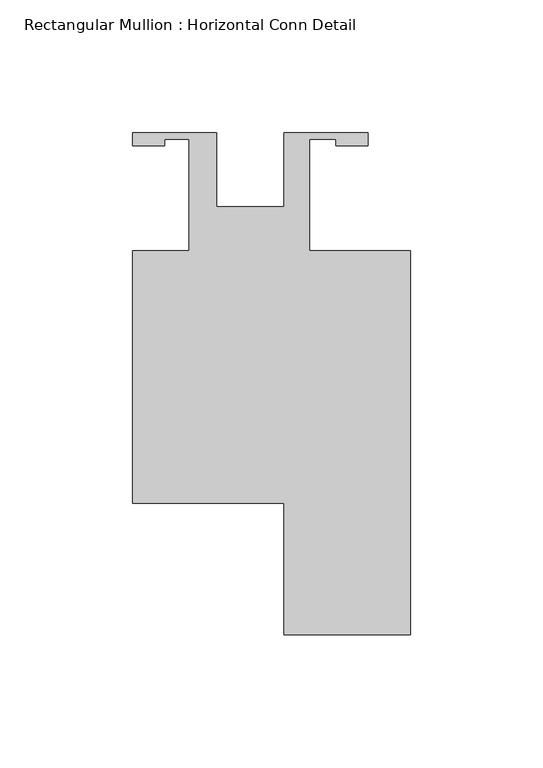
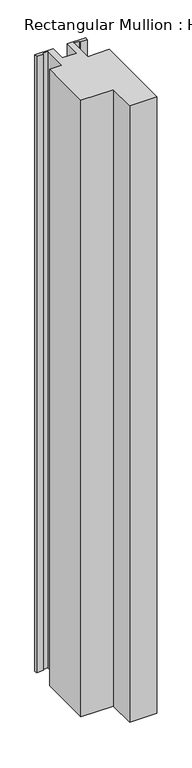
"""IFC4 building model written with IfcOpenShell, lengths in millimetres: member geometry, Rectangular Mullion : Horizontal Conn Detail."""

from ifc_helpers import new_model, si_unit, frame, origin, place, context, project, spatial, polyline, outline, extrude, source, transform, mapped, element, save


def rectangular_mullion_horizontal_conn_detail_5dc3adde(model_context):
    return source(origin(), model_context, "Body", "SweptSolid", [
        extrude(outline(polyline([(-44.45, -19.05), (-23.1902, -19.05), (-23.1902, 22.9299069), (-32.3676573, 22.9299069), (-32.3676573, 20.5232), (-44.45, 20.5232), (-44.45, 25.4), (-12.7, 25.4), (-12.7, -2.54), (12.7, -2.54), (12.7, 25.4), (44.45, 25.4), (44.45, 20.5232), (32.3596, 20.5232), (32.3596, 22.86), (22.225, 22.86), (22.225, -19.05), (60.325, -19.05), (60.325, -163.9062), (12.7, -163.9062), (12.7, -114.3), (-44.45, -114.3), (-44.45, -19.05)])), frame((0.0, 0.0, -1143.0), z_axis=(0.0, 0.0, 1.0), x_axis=(1.0, 0.0, 0.0)), (0.0, 0.0, 1.0), 1143.0),
    ])


if __name__ == "__main__":
    model = new_model("IFC4")
    model_context = context("Model", 3, world=origin())
    ifc_project = project(units=[si_unit("LENGTHUNIT", "METRE", prefix="MILLI")], contexts=[model_context])
    site = spatial("IfcSite", under=ifc_project)
    building = spatial("IfcBuilding", under=site)
    placement = place(None, origin())
    rectangular_mullion_horizontal_conn_detail_shape = rectangular_mullion_horizontal_conn_detail_5dc3adde(model_context)
    element("IfcMember", 1, ObjectType="Rectangular Mullion : Horizontal Conn Detail", at=placement, inside=building, context=model_context, shape_type="MappedRepresentation", body=[
        mapped(rectangular_mullion_horizontal_conn_detail_shape, transform((0.0, 0.0, 0.0), x_axis=(1.0, 0.0, 0.0), y_axis=(0.0, 1.0, 0.0), z_axis=(0.0, 0.0, 1.0))),
    ])
    save(model, "model.ifc")
